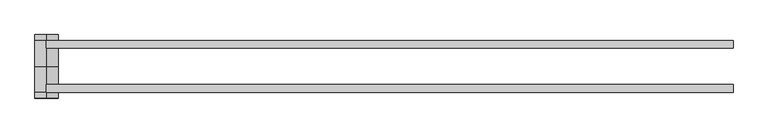
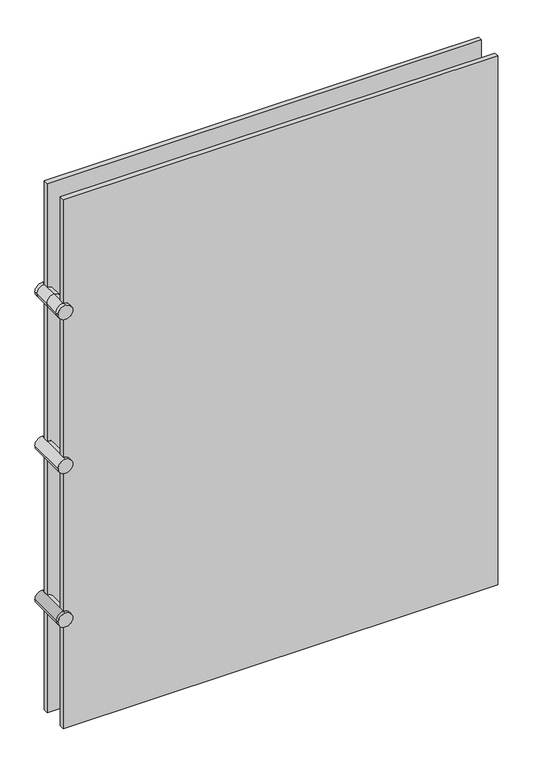
"""IFC4 building model written with IfcOpenShell, lengths in millimetres: plate geometry."""

from ifc_helpers import new_model, si_unit, point, frame, frame_2d, origin, origin_with_axes, place, context, project, spatial, polyline, circle_curve, trimmed, segment, composite_curve, outline, extrude, source, transform, mapped, element, save
from ifc_brep_helpers import plane_surface, cylinder_surface, advanced_brep


def plate_a8ae995a(model_context):
    return source(origin(), model_context, "Body", "SolidModel", [
        extrude(outline(polyline([(566.1297865, 42.8355237), (566.1297865, 30.1355237), (-566.1297865, 30.1355237), (-566.1297865, 42.8355237), (566.1297865, 42.8355237)])), origin_with_axes(), (0.0, 0.0, 1.0), 1457.6723151),
        extrude(outline(polyline([(566.1297865, -42.8111299), (-566.1297865, -42.8111299), (-566.1297865, -30.1111299), (566.1297865, -30.1111299), (566.1297865, -42.8111299)])), origin_with_axes(), (0.0, 0.0, 1.0), 1457.6723151),
        advanced_brep(
        [(-547.0797865, 52.3605237, 304.8), (-566.1297865, 52.3605237, 285.75), (-585.1797865, 52.3605237, 304.8), (-566.1297865, 52.3605237, 323.85), (-547.0797865, -52.3361299, 304.8), (-566.1297865, -52.3361299, 323.85), (-585.1797865, -52.3361299, 304.8), (-566.1297865, -52.3361299, 285.75), (-547.0797865, -42.8111299, 304.8), (-566.1297865, -42.8111299, 285.75), (-585.1797865, -42.8111299, 304.8), (-566.1297865, -42.8111299, 323.85)],
        [
            (0, 1, circle_curve(frame((-566.1297865, 52.3605237, 304.8), z_axis=(0.0, 1.0, 0.0), x_axis=(0.0, 0.0, 1.0)), 19.05)),
            (1, 2, circle_curve(frame((-566.1297865, 52.3605237, 304.8), z_axis=(0.0, 1.0, 0.0), x_axis=(0.0, 0.0, 1.0)), 19.05)),
            (2, 3, circle_curve(frame((-566.1297865, 52.3605237, 304.8), z_axis=(0.0, 1.0, 0.0), x_axis=(0.0, 0.0, 1.0)), 19.05)),
            (3, 0, circle_curve(frame((-566.1297865, 52.3605237, 304.8), z_axis=(0.0, 1.0, 0.0), x_axis=(0.0, 0.0, 1.0)), 19.05)),
            (4, 5, circle_curve(frame((-566.1297865, -52.3361299, 304.8), z_axis=(0.0, -1.0, 0.0), x_axis=(0.0, 0.0, 1.0)), 19.05)),
            (5, 6, circle_curve(frame((-566.1297865, -52.3361299, 304.8), z_axis=(0.0, -1.0, 0.0), x_axis=(0.0, 0.0, 1.0)), 19.05)),
            (6, 7, circle_curve(frame((-566.1297865, -52.3361299, 304.8), z_axis=(0.0, -1.0, 0.0), x_axis=(0.0, 0.0, 1.0)), 19.05)),
            (7, 4, circle_curve(frame((-566.1297865, -52.3361299, 304.8), z_axis=(0.0, -1.0, 0.0), x_axis=(0.0, 0.0, 1.0)), 19.05)),
            (0, 8),
            (8, 9, circle_curve(frame((-566.1297865, -42.8111299, 304.8), z_axis=(0.0, 1.0, 0.0), x_axis=(0.0, 0.0, 1.0)), 19.05)),
            (9, 1),
            (9, 10, circle_curve(frame((-566.1297865, -42.8111299, 304.8), z_axis=(0.0, 1.0, 0.0), x_axis=(0.0, 0.0, 1.0)), 19.05)),
            (10, 2),
            (10, 11, circle_curve(frame((-566.1297865, -42.8111299, 304.8), z_axis=(0.0, 1.0, 0.0), x_axis=(0.0, 0.0, 1.0)), 19.05)),
            (11, 3),
            (11, 8, circle_curve(frame((-566.1297865, -42.8111299, 304.8), z_axis=(0.0, 1.0, 0.0), x_axis=(0.0, 0.0, 1.0)), 19.05)),
            (8, 4),
            (7, 9),
            (6, 10),
            (5, 11),
        ],
        [
            plane_surface(frame((-566.1297865, 52.3605237, 718.8924206), z_axis=(0.0, 1.0, 0.0), x_axis=(-1.0, 0.0, 0.0))),
            plane_surface(frame((-566.1297865, -52.3361299, 718.8924206), z_axis=(0.0, -1.0, 0.0), x_axis=(-1.0, 0.0, 0.0))),
            cylinder_surface(frame((-566.1297865, 52.3605237, 304.8), z_axis=(0.0, 1.0, 0.0), x_axis=(0.0, 0.0, 1.0)), 19.05),
            cylinder_surface(frame((-566.1297865, -42.8111299, 304.8), z_axis=(0.0, 1.0, 0.0), x_axis=(0.0, 0.0, 1.0)), 19.05),
        ],
        [
            (0, [[1, 2, 3, 4]]),
            (1, [[5, 6, 7, 8]]),
            (2, [[-1, 9, 10, 11]]),
            (2, [[-2, -11, 12, 13]]),
            (2, [[-3, -13, 14, 15]]),
            (2, [[-4, -15, 16, -9]]),
            (3, [[-10, 17, -8, 18]]),
            (3, [[-12, -18, -7, 19]]),
            (3, [[-14, -19, -6, 20]]),
            (3, [[-16, -20, -5, -17]]),
        ],
    ),
        extrude(outline(composite_curve([segment(trimmed(circle_curve(frame_2d((728.8361575, -566.1297865)), 19.05), [point((747.8861575, -566.1297865))], [point((728.8361575, -585.1797865))], False, "CARTESIAN"), True, "CONTINUOUS"), segment(trimmed(circle_curve(frame_2d((728.8361575, -566.1297865)), 19.05), [point((728.8361575, -585.1797865))], [point((709.7861575, -566.1297865))], False, "CARTESIAN"), True, "CONTINUOUS"), segment(trimmed(circle_curve(frame_2d((728.8361575, -566.1297865)), 19.05), [point((709.7861575, -566.1297865))], [point((728.8361575, -547.0797865))], False, "CARTESIAN"), True, "CONTINUOUS"), segment(trimmed(circle_curve(frame_2d((728.8361575, -566.1297865)), 19.05), [point((728.8361575, -547.0797865))], [point((747.8861575, -566.1297865))], False, "CARTESIAN"), True, "CONTINUOUS")], self_intersect=False)), frame((0.0, -52.3361299, 0.0), z_axis=(0.0, 1.0, 0.0), x_axis=(0.0, 0.0, 1.0)), (0.0, 0.0, 1.0), 104.6966536),
        advanced_brep(
        [(-566.1297865, -52.3361299, 1171.9223151), (-585.1797865, -52.3361299, 1152.8723151), (-566.1297865, -52.3361299, 1133.8223151), (-547.0797865, -52.3361299, 1152.8723151), (-566.1297865, 52.3605237, 1171.9223151), (-547.0797865, 52.3605237, 1152.8723151), (-566.1297865, 52.3605237, 1133.8223151), (-585.1797865, 52.3605237, 1152.8723151), (-585.1797865, 0.0121969, 1152.8723151), (-566.1297865, 0.0121969, 1171.9223151), (-566.1297865, 42.8355237, 1171.9223151), (-585.1797865, 42.8355237, 1152.8723151), (-566.1297865, 0.0121969, 1133.8223151), (-566.1297865, 42.8355237, 1133.8223151), (-547.0797865, 0.0121969, 1152.8723151), (-547.0797865, 42.8355237, 1152.8723151), (-566.1297865, -42.8111299, 1171.9223151), (-585.1797865, -42.8111299, 1152.8723151), (-566.1297865, -42.8111299, 1133.8223151), (-547.0797865, -42.8111299, 1152.8723151)],
        [
            (0, 1, circle_curve(frame((-566.1297865, -52.3361299, 1152.8723151), z_axis=(0.0, -1.0, 0.0), x_axis=(0.0, 0.0, -1.0)), 19.05)),
            (1, 2, circle_curve(frame((-566.1297865, -52.3361299, 1152.8723151), z_axis=(0.0, -1.0, 0.0), x_axis=(0.0, 0.0, -1.0)), 19.05)),
            (2, 3, circle_curve(frame((-566.1297865, -52.3361299, 1152.8723151), z_axis=(0.0, -1.0, 0.0), x_axis=(0.0, 0.0, -1.0)), 19.05)),
            (3, 0, circle_curve(frame((-566.1297865, -52.3361299, 1152.8723151), z_axis=(0.0, -1.0, 0.0), x_axis=(0.0, 0.0, -1.0)), 19.05)),
            (4, 5, circle_curve(frame((-566.1297865, 52.3605237, 1152.8723151), z_axis=(0.0, 1.0, 0.0), x_axis=(0.0, 0.0, -1.0)), 19.05)),
            (5, 6, circle_curve(frame((-566.1297865, 52.3605237, 1152.8723151), z_axis=(0.0, 1.0, 0.0), x_axis=(0.0, 0.0, -1.0)), 19.05)),
            (6, 7, circle_curve(frame((-566.1297865, 52.3605237, 1152.8723151), z_axis=(0.0, 1.0, 0.0), x_axis=(0.0, 0.0, -1.0)), 19.05)),
            (7, 4, circle_curve(frame((-566.1297865, 52.3605237, 1152.8723151), z_axis=(0.0, 1.0, 0.0), x_axis=(0.0, 0.0, -1.0)), 19.05)),
            (8, 9, circle_curve(frame((-566.1297865, 0.0121969, 1152.8723151), z_axis=(0.0, 1.0, 0.0), x_axis=(0.0, 0.0, -1.0)), 19.05)),
            (9, 10),
            (10, 11, circle_curve(frame((-566.1297865, 42.8355237, 1152.8723151), z_axis=(0.0, -1.0, 0.0), x_axis=(0.0, 0.0, -1.0)), 19.05)),
            (11, 8),
            (12, 8, circle_curve(frame((-566.1297865, 0.0121969, 1152.8723151), z_axis=(0.0, 1.0, 0.0), x_axis=(0.0, 0.0, -1.0)), 19.05)),
            (11, 13, circle_curve(frame((-566.1297865, 42.8355237, 1152.8723151), z_axis=(0.0, -1.0, 0.0), x_axis=(0.0, 0.0, -1.0)), 19.05)),
            (13, 12),
            (14, 12, circle_curve(frame((-566.1297865, 0.0121969, 1152.8723151), z_axis=(0.0, 1.0, 0.0), x_axis=(0.0, 0.0, -1.0)), 19.05)),
            (13, 15, circle_curve(frame((-566.1297865, 42.8355237, 1152.8723151), z_axis=(0.0, -1.0, 0.0), x_axis=(0.0, 0.0, -1.0)), 19.05)),
            (15, 14),
            (9, 14, circle_curve(frame((-566.1297865, 0.0121969, 1152.8723151), z_axis=(0.0, 1.0, 0.0), x_axis=(0.0, 0.0, -1.0)), 19.05)),
            (15, 10, circle_curve(frame((-566.1297865, 42.8355237, 1152.8723151), z_axis=(0.0, -1.0, 0.0), x_axis=(0.0, 0.0, -1.0)), 19.05)),
            (10, 4),
            (7, 11),
            (6, 13),
            (5, 15),
            (0, 16),
            (16, 17, circle_curve(frame((-566.1297865, -42.8111299, 1152.8723151), z_axis=(0.0, -1.0, 0.0), x_axis=(0.0, 0.0, -1.0)), 19.05)),
            (17, 1),
            (17, 18, circle_curve(frame((-566.1297865, -42.8111299, 1152.8723151), z_axis=(0.0, -1.0, 0.0), x_axis=(0.0, 0.0, -1.0)), 19.05)),
            (18, 2),
            (18, 19, circle_curve(frame((-566.1297865, -42.8111299, 1152.8723151), z_axis=(0.0, -1.0, 0.0), x_axis=(0.0, 0.0, -1.0)), 19.05)),
            (19, 3),
            (19, 16, circle_curve(frame((-566.1297865, -42.8111299, 1152.8723151), z_axis=(0.0, -1.0, 0.0), x_axis=(0.0, 0.0, -1.0)), 19.05)),
            (16, 9),
            (8, 17),
            (12, 18),
            (14, 19),
        ],
        [
            plane_surface(frame((-566.1297865, -52.3361299, 1152.8723151), z_axis=(0.0, -1.0, 0.0), x_axis=(-1.0, 0.0, 0.0))),
            plane_surface(frame((-566.1297865, 52.3605237, 1152.8723151), z_axis=(0.0, 1.0, 0.0), x_axis=(-1.0, 0.0, 0.0))),
            cylinder_surface(frame((-566.1297865, 0.0121969, 1152.8723151), z_axis=(0.0, -1.0, 0.0), x_axis=(0.0, 0.0, -1.0)), 19.05),
            cylinder_surface(frame((-566.1297865, 42.8355237, 1152.8723151), z_axis=(0.0, -1.0, 0.0), x_axis=(0.0, 0.0, -1.0)), 19.05),
            cylinder_surface(frame((-566.1297865, -52.3361299, 1152.8723151), z_axis=(0.0, -1.0, 0.0), x_axis=(0.0, 0.0, -1.0)), 19.05),
            cylinder_surface(frame((-566.1297865, -42.8111299, 1152.8723151), z_axis=(0.0, -1.0, 0.0), x_axis=(0.0, 0.0, -1.0)), 19.05),
        ],
        [
            (0, [[1, 2, 3, 4]]),
            (1, [[5, 6, 7, 8]]),
            (2, [[9, 10, 11, 12]]),
            (2, [[13, -12, 14, 15]]),
            (2, [[16, -15, 17, 18]]),
            (2, [[19, -18, 20, -10]]),
            (3, [[-11, 21, -8, 22]]),
            (3, [[-14, -22, -7, 23]]),
            (3, [[-17, -23, -6, 24]]),
            (3, [[-20, -24, -5, -21]]),
            (4, [[-1, 25, 26, 27]]),
            (4, [[-2, -27, 28, 29]]),
            (4, [[-3, -29, 30, 31]]),
            (4, [[-4, -31, 32, -25]]),
            (5, [[-26, 33, -9, 34]]),
            (5, [[-28, -34, -13, 35]]),
            (5, [[-30, -35, -16, 36]]),
            (5, [[-32, -36, -19, -33]]),
        ],
    ),
    ])


if __name__ == "__main__":
    model = new_model("IFC4")
    model_context = context("Model", 3, world=origin())
    ifc_project = project(units=[si_unit("LENGTHUNIT", "METRE", prefix="MILLI")], contexts=[model_context])
    site = spatial("IfcSite", under=ifc_project)
    building = spatial("IfcBuilding", under=site)
    placement = place(None, origin())
    plate_shape = plate_a8ae995a(model_context)
    element("IfcPlate", 1, at=placement, inside=building, context=model_context, shape_type="MappedRepresentation", body=[
        mapped(plate_shape, transform((0.0, 0.0, 0.0), x_axis=(1.0, 0.0, 0.0), y_axis=(0.0, 1.0, 0.0), z_axis=(0.0, 0.0, 1.0))),
    ])
    save(model, "model.ifc")
